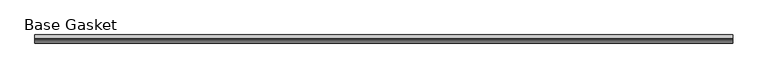
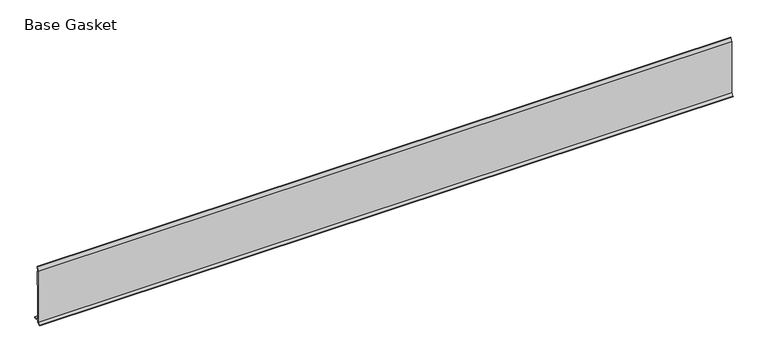
"""IFC4 building model written with IfcOpenShell, lengths in millimetres: furniture geometry, Base Gasket."""

from ifc_helpers import new_model, si_unit, frame, origin, place, context, project, spatial, polyline, outline, extrude, source, transform, mapped, element, save


def base_gasket_7cb7eb19(model_context):
    return source(origin(), model_context, "Body", "SweptSolid", [
        extrude(outline(polyline([(-3.7283812, 98.4568417), (-1.1891543, 104.587663), (-0.6755308, 105.2002997), (-0.6755308, 104.4162708), (-2.2043812, 98.4568417), (-2.2043812, 96.8693477), (-1.4106313, 96.8693477), (-1.4106313, 71.4693447), (-2.2043812, 71.4693447), (-2.2043812, 7.9398773), (6.2405171, 7.9398773), (6.2405171, 6.3818476), (-2.1334222, 6.3818476), (-2.2043812, 4.3498477), (-6.8281054, 0.3520979), (-7.8482342, 0.0), (-7.4222115, 0.6560174), (-3.7283812, 4.3498477), (-3.7283812, 98.4568417)])), frame((-1527.8982117, 0.0, 0.0), z_axis=(1.0, 0.0, 0.0), x_axis=(0.0, 1.0, 0.0)), (0.0, 0.0, 1.0), 1210.2924882),
    ])


if __name__ == "__main__":
    model = new_model("IFC4")
    model_context = context("Model", 3, world=origin())
    ifc_project = project(units=[si_unit("LENGTHUNIT", "METRE", prefix="MILLI")], contexts=[model_context])
    site = spatial("IfcSite", under=ifc_project)
    building = spatial("IfcBuilding", under=site)
    placement = place(None, origin())
    base_gasket_shape = base_gasket_7cb7eb19(model_context)
    element("IfcFurniture", 1, ObjectType="Base Gasket", at=placement, inside=building, context=model_context, shape_type="MappedRepresentation", body=[
        mapped(base_gasket_shape, transform((0.0, 0.0, 0.0), x_axis=(1.0, 0.0, 0.0), y_axis=(0.0, 1.0, 0.0), z_axis=(0.0, 0.0, 1.0))),
    ])
    save(model, "model.ifc")
